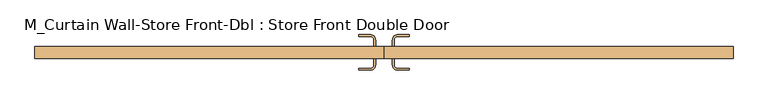
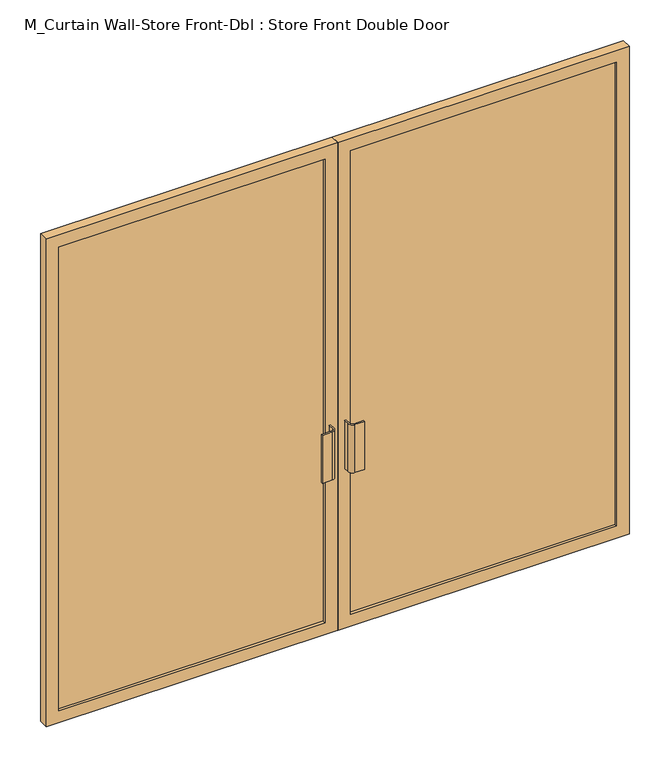
"""IFC4 building model written with IfcOpenShell, lengths in millimetres: door geometry, M_Curtain Wall-Store Front-Dbl : Store Front Double Door."""

from ifc_helpers import new_model, si_unit, point, frame, frame_2d, origin, place, context, project, spatial, polyline, circle_curve, trimmed, segment, composite_curve, outline, extrude, source, transform, mapped, element, save


def m_curtain_wall_store_front_dbl_store_front_double_door_6b92c412(model_context):
    return source(origin(), model_context, "Body", "SweptSolid", [
        extrude(outline(composite_curve([segment(trimmed(circle_curve(frame_2d((-50.8, -14.85)), 19.05), [point((-31.75, -14.85))], [point((-50.8, -33.9))], False, "CARTESIAN"), True, "CONTINUOUS"), segment(polyline([(-50.8, -33.9), (-95.25, -33.9), (-95.25, -27.55), (-50.8, -27.55)]), True, "CONTINUOUS"), segment(trimmed(circle_curve(frame_2d((-50.8, -14.85)), 12.7), [point((-50.8, -27.55))], [point((-38.1, -14.85))], True, "CARTESIAN"), True, "CONTINUOUS"), segment(polyline([(-38.1, -14.85), (-38.1, 10.55), (-31.75, 10.55), (-31.75, -14.85)]), True, "CONTINUOUS")], self_intersect=False)), frame((0.0, 0.0, 762.0), z_axis=(0.0, 0.0, 1.0), x_axis=(1.0, 0.0, 0.0)), (0.0, 0.0, 1.0), 228.6),
        extrude(outline(composite_curve([segment(polyline([(31.75, -14.85), (31.75, 10.55), (38.1, 10.55), (38.1, -14.85)]), True, "CONTINUOUS"), segment(trimmed(circle_curve(frame_2d((50.8, -14.85)), 12.7), [point((38.1, -14.85))], [point((50.8, -27.55))], True, "CARTESIAN"), True, "CONTINUOUS"), segment(polyline([(50.8, -27.55), (95.25, -27.55), (95.25, -33.9), (50.8, -33.9)]), True, "CONTINUOUS"), segment(trimmed(circle_curve(frame_2d((50.8, -14.85)), 19.05), [point((50.8, -33.9))], [point((31.75, -14.85))], False, "CARTESIAN"), True, "CONTINUOUS")], self_intersect=False)), frame((0.0, 0.0, 762.0), z_axis=(0.0, 0.0, 1.0), x_axis=(1.0, 0.0, 0.0)), (0.0, 0.0, 1.0), 228.6),
        extrude(outline(composite_curve([segment(polyline([(-31.75, 80.4), (-31.75, 55.0), (-38.1, 55.0), (-38.1, 80.4)]), True, "CONTINUOUS"), segment(trimmed(circle_curve(frame_2d((-50.8, 80.4)), 12.7), [point((-38.1, 80.4))], [point((-50.8, 93.1))], True, "CARTESIAN"), True, "CONTINUOUS"), segment(polyline([(-50.8, 93.1), (-95.25, 93.1), (-95.25, 99.45), (-50.8, 99.45)]), True, "CONTINUOUS"), segment(trimmed(circle_curve(frame_2d((-50.8, 80.4)), 19.05), [point((-50.8, 99.45))], [point((-31.75, 80.4))], False, "CARTESIAN"), True, "CONTINUOUS")], self_intersect=False)), frame((0.0, 0.0, 762.0), z_axis=(0.0, 0.0, 1.0), x_axis=(1.0, 0.0, 0.0)), (0.0, 0.0, 1.0), 228.6),
        extrude(outline(composite_curve([segment(trimmed(circle_curve(frame_2d((50.8, 80.4)), 19.05), [point((31.75, 80.4))], [point((50.8, 99.45))], False, "CARTESIAN"), True, "CONTINUOUS"), segment(polyline([(50.8, 99.45), (95.25, 99.45), (95.25, 93.1), (50.8, 93.1)]), True, "CONTINUOUS"), segment(trimmed(circle_curve(frame_2d((50.8, 80.4)), 12.7), [point((50.8, 93.1))], [point((38.1, 80.4))], True, "CARTESIAN"), True, "CONTINUOUS"), segment(polyline([(38.1, 80.4), (38.1, 55.0), (31.75, 55.0), (31.75, 80.4)]), True, "CONTINUOUS")], self_intersect=False)), frame((0.0, 0.0, 762.0), z_axis=(0.0, 0.0, 1.0), x_axis=(1.0, 0.0, 0.0)), (0.0, 0.0, 1.0), 228.6),
        extrude(outline(polyline([(1257.0265303, 23.25), (57.94375, 23.25), (57.94375, 42.3), (1257.0265303, 42.3), (1257.0265303, 23.25)])), frame((0.0, 0.0, 57.15), z_axis=(0.0, 0.0, 1.0), x_axis=(1.0, 0.0, 0.0)), (0.0, 0.0, 1.0), 2210.7),
        extrude(outline(polyline([(-57.94375, 23.25), (-1257.0265303, 23.25), (-1257.0265303, 42.3), (-57.94375, 42.3), (-57.94375, 23.25)])), frame((0.0, 0.0, 57.15), z_axis=(0.0, 0.0, 1.0), x_axis=(1.0, 0.0, 0.0)), (0.0, 0.0, 1.0), 2210.7),
        extrude(outline(polyline([(2325.0, 0.79375), (0.0, 0.79375), (0.0, 1314.1765303), (2325.0, 1314.1765303), (2325.0, 0.79375)]), holes=[polyline([(2267.85, 57.94375), (2267.85, 1257.0265303), (57.15, 1257.0265303), (57.15, 57.94375), (2267.85, 57.94375)])]), frame((0.0, 10.55, 0.0), z_axis=(0.0, 1.0, 0.0), x_axis=(0.0, 0.0, 1.0)), (0.0, 0.0, 1.0), 44.45),
        extrude(outline(polyline([(2325.0, -0.79375), (2325.0, -1314.1765303), (0.0, -1314.1765303), (0.0, -0.79375), (2325.0, -0.79375)]), holes=[polyline([(2267.85, -1257.0265303), (2267.85, -57.94375), (57.15, -57.94375), (57.15, -1257.0265303), (2267.85, -1257.0265303)])]), frame((0.0, 10.55, 0.0), z_axis=(0.0, 1.0, 0.0), x_axis=(0.0, 0.0, 1.0)), (0.0, 0.0, 1.0), 44.45),
    ])


if __name__ == "__main__":
    model = new_model("IFC4")
    model_context = context("Model", 3, world=origin())
    ifc_project = project(units=[si_unit("LENGTHUNIT", "METRE", prefix="MILLI")], contexts=[model_context])
    site = spatial("IfcSite", under=ifc_project)
    building = spatial("IfcBuilding", under=site)
    placement = place(None, origin())
    m_curtain_wall_store_front_dbl_store_front_double_door_shape = m_curtain_wall_store_front_dbl_store_front_double_door_6b92c412(model_context)
    element("IfcDoor", 1, ObjectType="M_Curtain Wall-Store Front-Dbl : Store Front Double Door", at=placement, inside=building, context=model_context, shape_type="MappedRepresentation", body=[
        mapped(m_curtain_wall_store_front_dbl_store_front_double_door_shape, transform((0.0, 0.0, 0.0), x_axis=(1.0, 0.0, 0.0), y_axis=(0.0, 1.0, 0.0), z_axis=(0.0, 0.0, 1.0))),
    ])
    save(model, "model.ifc")
